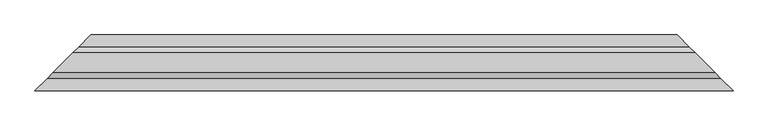
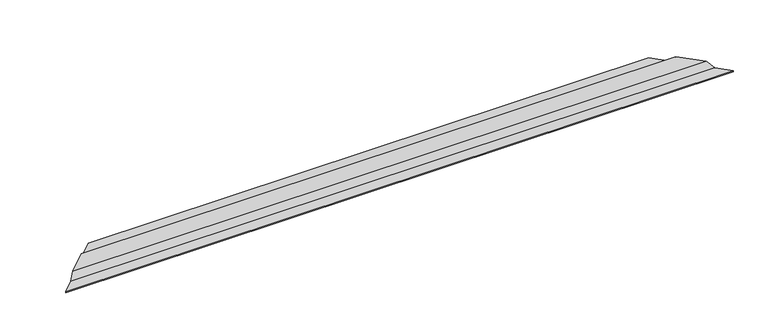
"""IFC4 building model written with IfcOpenShell, lengths in millimetres: proxy geometry."""

from ifc_helpers import new_model, si_unit, origin, place, context, project, spatial, faceted_brep, source, transform, mapped, element, save


def generic_models_e80b1444(model_context):
    return source(origin(), model_context, "Body", "Brep", [
        faceted_brep([(30.0, 30.0, 5.0), (1480.0, 30.0, 5.0), (1480.0, 30.0, 2.0), (30.0, 30.0, 2.0), (1490.0, 20.0, 2.0), (20.0, 20.0, 2.0), (1490.0, 20.0, 3.0), (20.0, 20.0, 3.0), (1481.0, 29.0, 3.0), (29.0, 29.0, 3.0), (1481.0, 29.0, 4.0), (29.0, 29.0, 4.0), (1510.0, 0.0, 4.0), (1510.4142136, -0.4142136, 4.0), (-0.4142136, -0.4142136, 4.0), (0.0, 0.0, 4.0), (1524.5563492, -14.5563492, 18.1421356), (-14.5563492, -14.5563492, 18.1421356), (1573.7279221, -63.7279221, 18.1421356), (-63.7279221, -63.7279221, 18.1421356), (1587.8700577, -77.8700577, 4.0), (-77.8700577, -77.8700577, 4.0), (1617.2842712, -107.2842712, 4.0), (-107.2842712, -107.2842712, 4.0), (1617.2842712, -107.2842712, 3.0), (-107.2842712, -107.2842712, 3.0), (1608.2842712, -98.2842712, 3.0), (-98.2842712, -98.2842712, 3.0), (1608.2842712, -98.2842712, 2.0), (-98.2842712, -98.2842712, 2.0), (1618.2842712, -108.2842712, 2.0), (-108.2842712, -108.2842712, 2.0), (1618.2842712, -108.2842712, 5.0), (-108.2842712, -108.2842712, 5.0), (1588.2842712, -78.2842712, 5.0), (-78.2842712, -78.2842712, 5.0), (1574.1421356, -64.1421356, 19.1421356), (-64.1421356, -64.1421356, 19.1421356), (1524.1421356, -14.1421356, 19.1421356), (-14.1421356, -14.1421356, 19.1421356), (1510.0, 0.0, 5.0), (0.0, 0.0, 5.0)], [[[0, 1, 2, 3]], [[3, 2, 4, 5]], [[5, 4, 6, 7]], [[7, 6, 8, 9]], [[9, 8, 10, 11]], [[11, 10, 12, 13, 14, 15]], [[14, 13, 16, 17]], [[17, 16, 18, 19]], [[19, 18, 20, 21]], [[21, 20, 22, 23]], [[23, 22, 24, 25]], [[25, 24, 26, 27]], [[27, 26, 28, 29]], [[29, 28, 30, 31]], [[31, 30, 32, 33]], [[33, 32, 34, 35]], [[35, 34, 36, 37]], [[37, 36, 38, 39]], [[39, 38, 40, 41]], [[41, 40, 1, 0]], [[41, 0, 3, 5, 7, 9, 11, 15]], [[15, 14, 17, 19, 21, 23, 25, 27, 29, 31, 33, 35, 37, 39, 41]], [[12, 10, 8, 6, 4, 2, 1, 40]], [[40, 38, 36, 34, 32, 30, 28, 26, 24, 22, 20, 18, 16, 13, 12]]]),
    ])


if __name__ == "__main__":
    model = new_model("IFC4")
    model_context = context("Model", 3, world=origin())
    ifc_project = project(units=[si_unit("LENGTHUNIT", "METRE", prefix="MILLI")], contexts=[model_context])
    site = spatial("IfcSite", under=ifc_project)
    building = spatial("IfcBuilding", under=site)
    placement = place(None, origin())
    generic_models_shape = generic_models_e80b1444(model_context)
    element("IfcBuildingElementProxy", 1, Name="Generic Models", at=placement, inside=building, context=model_context, shape_type="MappedRepresentation", body=[
        mapped(generic_models_shape, transform((0.0, 0.0, 0.0), x_axis=(1.0, 0.0, 0.0), y_axis=(0.0, 1.0, 0.0), z_axis=(0.0, 0.0, 1.0))),
    ])
    save(model, "model.ifc")
